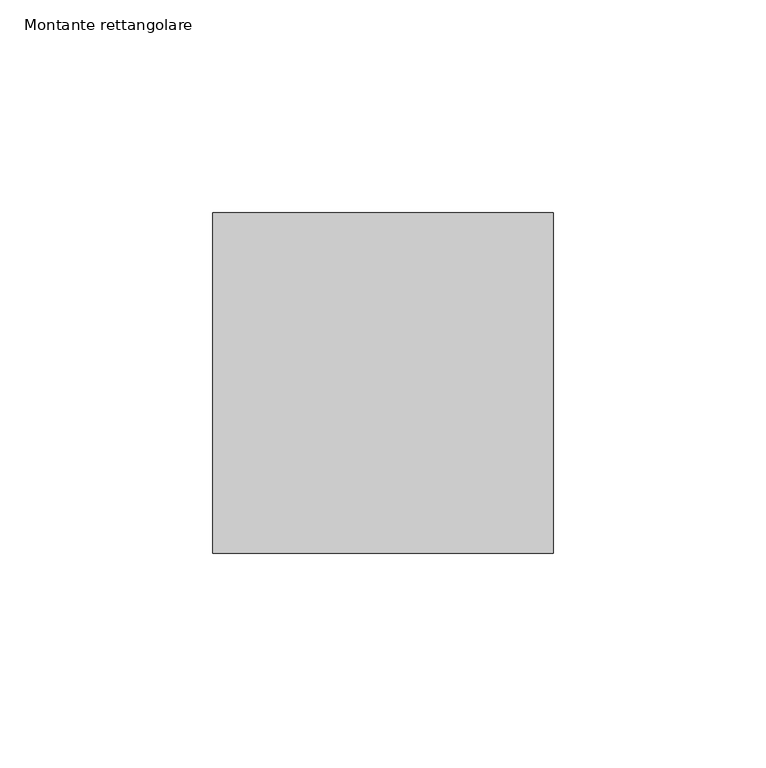
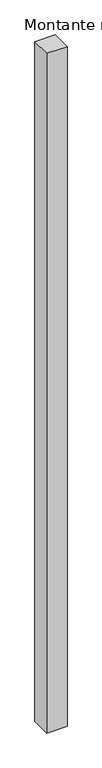
"""IFC4 building model written with IfcOpenShell, lengths in millimetres: member geometry, Montante rettangolare."""

from ifc_helpers import new_model, si_unit, frame, origin, place, context, project, spatial, polyline, outline, extrude, source, transform, mapped, element, save


def montante_rettangolare_31af99cb(model_context):
    return source(origin(), model_context, "Body", "SweptSolid", [
        extrude(outline(polyline([(0.0, 40.0), (0.0, -40.0), (-80.0, -40.0), (-80.0, 40.0), (0.0, 40.0)])), frame((0.0, 0.0, -2820.0), z_axis=(0.0, 0.0, 1.0), x_axis=(1.0, 0.0, 0.0)), (0.0, 0.0, 1.0), 2820.0),
    ])


if __name__ == "__main__":
    model = new_model("IFC4")
    model_context = context("Model", 3, world=origin())
    ifc_project = project(units=[si_unit("LENGTHUNIT", "METRE", prefix="MILLI")], contexts=[model_context])
    site = spatial("IfcSite", under=ifc_project)
    building = spatial("IfcBuilding", under=site)
    placement = place(None, origin())
    montante_rettangolare_shape = montante_rettangolare_31af99cb(model_context)
    element("IfcMember", 1, ObjectType="Montante rettangolare", at=placement, inside=building, context=model_context, shape_type="MappedRepresentation", body=[
        mapped(montante_rettangolare_shape, transform((0.0, 0.0, 0.0), x_axis=(1.0, 0.0, 0.0), y_axis=(0.0, 1.0, 0.0), z_axis=(0.0, 0.0, 1.0))),
    ])
    save(model, "model.ifc")
